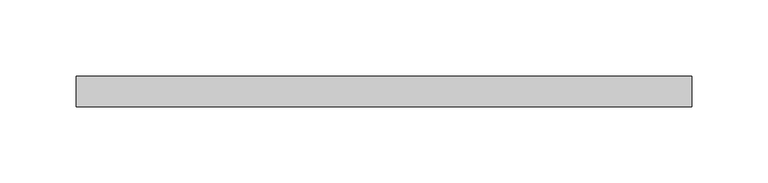
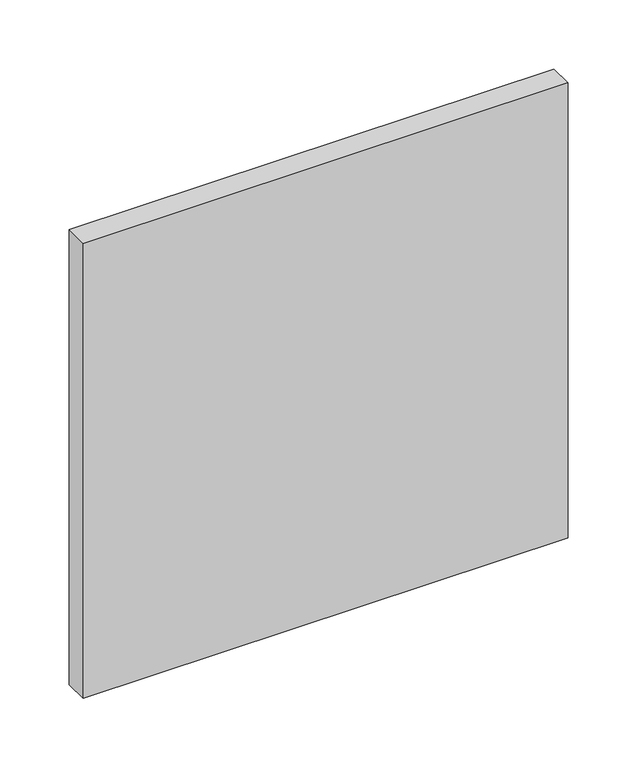
"""IFC4 building model written with IfcOpenShell, lengths in millimetres: plate geometry."""

import ifcopenshell
import ifcopenshell.guid

model = None  # the IFC model being written
_history = None  # IfcOwnerHistory: only IFC2X3 demands one
_inside = {}  # id of a spatial element -> (the spatial element, [elements in it])
_under = {}  # id of a project, library or spatial element -> (it, [spatial elements below it])
_declared = {}  # id of a project -> (the project, [libraries it declares])
_typed = {}  # id of a type object -> (the type object, [elements of that type])
_made_of = {}  # id of a material, layer set ... -> (it, [elements and type objects made of it])


def new_model(schema):
    """Start an empty IFC model of exactly this schema.

    Asked for "IFC4X3", IfcOpenShell would pick the latest addendum, in which some entities
    have other attributes; the version numbers below select the first issue.
    IFC2X3 requires an IfcOwnerHistory on every rooted entity: one is made here for all.
    """
    global model, _history
    if schema == "IFC4X3":
        model = ifcopenshell.file(schema_version=(4, 3, 0, 0))
    else:
        model = ifcopenshell.file(schema=schema)
    _inside.clear()
    _under.clear()
    _declared.clear()
    _typed.clear()
    _made_of.clear()
    _history = None
    if model.schema == "IFC2X3":
        org = make("IfcOrganization", Name="unknown")
        user = make(
            "IfcPersonAndOrganization",
            ThePerson=make("IfcPerson", FamilyName="unknown"),
            TheOrganization=org,
        )
        app = make(
            "IfcApplication",
            ApplicationDeveloper=org,
            Version="unknown",
            ApplicationFullName="unknown",
            ApplicationIdentifier="unknown",
        )
        _history = make(
            "IfcOwnerHistory",
            OwningUser=user,
            OwningApplication=app,
            ChangeAction="ADDED",
            CreationDate=0,
        )
    return model


def make(cls, **values):
    """One entity of the class cls with the attributes given. An attribute that is None is left unset."""
    return model.create_entity(
        cls, **{name: value for name, value in values.items() if value is not None}
    )


def rooted(cls, **values):
    """An entity with a GlobalId (a new one), such as an element, a storey or a relation."""
    return make(cls, GlobalId=ifcopenshell.guid.new(), OwnerHistory=_history, **values)


def si_unit(unit_type, name, prefix=None):
    """IfcSIUnit, for example si_unit("LENGTHUNIT", "METRE", prefix="MILLI")."""
    return make("IfcSIUnit", UnitType=unit_type, Prefix=prefix, Name=name)


def assignment(units):
    """IfcUnitAssignment: the units of a project."""
    return None if units is None else make("IfcUnitAssignment", Units=units)


def point(xyz):
    """IfcCartesianPoint."""
    return None if xyz is None else make("IfcCartesianPoint", Coordinates=xyz)


def direction(xyz):
    """IfcDirection."""
    return None if xyz is None else make("IfcDirection", DirectionRatios=xyz)


def frame(location, z_axis=None, x_axis=None):
    """IfcAxis2Placement3D, a coordinate frame: its origin and axes. An axis left out is left unset."""
    return make(
        "IfcAxis2Placement3D",
        Location=point(location),
        Axis=direction(z_axis),
        RefDirection=direction(x_axis),
    )


def origin():
    """The frame at (0, 0, 0) with its axes left unset."""
    return frame((0.0, 0.0, 0.0))


def origin_with_axes():
    """The frame at (0, 0, 0) with the z axis (0, 0, 1) and the x axis (1, 0, 0) written out."""
    return frame((0.0, 0.0, 0.0), z_axis=(0.0, 0.0, 1.0), x_axis=(1.0, 0.0, 0.0))


def place(relative_to, where):
    """IfcLocalPlacement: puts the frame where relative to a parent placement (None: the world)."""
    return make(
        "IfcLocalPlacement", PlacementRelTo=relative_to, RelativePlacement=where
    )


def context(
    kind, dimensions, precision=None, world=None, true_north=None, identifier=None
):
    """IfcGeometricRepresentationContext, for example the 3D "Model" context."""
    return make(
        "IfcGeometricRepresentationContext",
        ContextIdentifier=identifier,
        ContextType=kind,
        CoordinateSpaceDimension=dimensions,
        Precision=precision,
        WorldCoordinateSystem=world,
        TrueNorth=true_north,
    )


def project(units=None, contexts=None):
    """IfcProject with its units and contexts."""
    return rooted(
        "IfcProject",
        Name="project",
        RepresentationContexts=contexts,
        UnitsInContext=assignment(units),
    )


def spatial(cls, under=None, at=None, **own):
    """A site, building, storey or space (cls), placed at a placement, below another one or the project."""
    s = rooted(cls, ObjectPlacement=at, **own)
    if under is not None:
        _under.setdefault(under.id(), (under, []))[1].append(s)
    return s


def polyline(points):
    """IfcPolyline through the points."""
    return make("IfcPolyline", Points=[point(p) for p in points])


def outline(outer, holes=None, kind="AREA"):
    """IfcArbitraryClosedProfileDef: a profile drawn as a closed curve; with holes, ...WithVoids."""
    if holes is None:
        return make("IfcArbitraryClosedProfileDef", ProfileType=kind, OuterCurve=outer)
    return make(
        "IfcArbitraryProfileDefWithVoids",
        ProfileType=kind,
        OuterCurve=outer,
        InnerCurves=holes,
    )


def extrude(swept, where, along, depth):
    """IfcExtrudedAreaSolid: the profile swept, set in the frame where, extruded along a direction by depth."""
    return make(
        "IfcExtrudedAreaSolid",
        SweptArea=swept,
        Position=where,
        ExtrudedDirection=direction(along),
        Depth=depth,
    )


def shape(context_of_items, identifier, shape_type, items):
    """IfcShapeRepresentation: the items that make up one representation, for example the "Body"."""
    return make(
        "IfcShapeRepresentation",
        ContextOfItems=context_of_items,
        RepresentationIdentifier=identifier,
        RepresentationType=shape_type,
        Items=items,
    )


def source(mapping_origin, context_of_items, identifier, shape_type, items):
    """IfcRepresentationMap: a shape defined once, which mapped items show again and again."""
    return make(
        "IfcRepresentationMap",
        MappingOrigin=mapping_origin,
        MappedRepresentation=shape(context_of_items, identifier, shape_type, items),
    )


def transform(
    local_origin,
    x_axis=None,
    y_axis=None,
    z_axis=None,
    scale=None,
    scale2=None,
    scale3=None,
    uniform=True,
):
    """IfcCartesianTransformationOperator3D, or its non-uniform kind. x_axis, y_axis, z_axis: its Axis1, 2, 3."""
    if uniform:
        return make(
            "IfcCartesianTransformationOperator3D",
            Axis1=direction(x_axis),
            Axis2=direction(y_axis),
            LocalOrigin=point(local_origin),
            Scale=scale,
            Axis3=direction(z_axis),
        )
    return make(
        "IfcCartesianTransformationOperator3DnonUniform",
        Axis1=direction(x_axis),
        Axis2=direction(y_axis),
        LocalOrigin=point(local_origin),
        Scale=scale,
        Axis3=direction(z_axis),
        Scale2=scale2,
        Scale3=scale3,
    )


def mapped(mapping_source, mapping_target):
    """IfcMappedItem: shows the shape of a source again, moved by a transform."""
    return make(
        "IfcMappedItem", MappingSource=mapping_source, MappingTarget=mapping_target
    )


def made_of(thing, what):
    """Note that an element or type object is made of a material, layer set ...; save() writes the relation."""
    if what is not None:
        _made_of.setdefault(what.id(), (what, []))[1].append(thing)
    return thing


def element(
    cls,
    number,
    at=None,
    inside=None,
    cuts=None,
    type_object=None,
    material=None,
    context=None,
    identifier="Body",
    shape_type=None,
    held_by="IfcProductDefinitionShape",
    body=None,
    shapes=None,
    **own,
):
    """One element of the class cls, such as IfcWall. Its Tag is "e" and its number.

    at: its placement. inside: the storey or other place that contains it. cuts: it is an
    opening in that element (IfcRelVoidsElement). A single representation is given by context,
    identifier, shape_type and body (its items); several are given by shapes. held_by: the class
    of the entity that holds the representations. save() writes the other relations.
    """
    e = rooted(cls, Tag="e%d" % number, ObjectPlacement=at, **own)
    if body is not None:
        shapes = [shape(context, identifier, shape_type, body)]
    if shapes is not None:
        e.Representation = make(held_by, Representations=shapes)
    if inside is not None:
        _inside.setdefault(inside.id(), (inside, []))[1].append(e)
    if cuts is not None:
        rooted(
            "IfcRelVoidsElement", RelatingBuildingElement=cuts, RelatedOpeningElement=e
        )
    if type_object is not None:
        _typed.setdefault(type_object.id(), (type_object, []))[1].append(e)
    return made_of(e, material)


def aggregate(whole, parts):
    """IfcRelAggregates: a whole, such as a stair, and the parts it consists of."""
    return rooted("IfcRelAggregates", RelatingObject=whole, RelatedObjects=parts)


def save(model, path):
    """Write the relations noted so far, then the file.

    IfcRelAggregates (storeys below a building ...), IfcRelContainedInSpatialStructure (elements
    in a storey), IfcRelDefinesByType, IfcRelAssociatesMaterial and IfcRelDeclares: one each for
    every whole, place, type object, material and project.
    """
    for whole, parts in _under.values():
        aggregate(whole, parts)
    for where, things in _inside.values():
        rooted(
            "IfcRelContainedInSpatialStructure",
            RelatedElements=things,
            RelatingStructure=where,
        )
    for kind, things in _typed.values():
        rooted("IfcRelDefinesByType", RelatedObjects=things, RelatingType=kind)
    for what, things in _made_of.values():
        rooted("IfcRelAssociatesMaterial", RelatedObjects=things, RelatingMaterial=what)
    for by, libraries in _declared.values():
        rooted("IfcRelDeclares", RelatingContext=by, RelatedDefinitions=libraries)
    model.write(path)


def plate_094ce370(model_context):
    return source(origin(), model_context, "Body", "SweptSolid", [
        extrude(outline(polyline([(202.3913043, 70.0), (-202.3913043, 70.0), (-202.3913043, 90.0), (202.3913043, 90.0), (202.3913043, 70.0)])), origin_with_axes(), (0.0, 0.0, 1.0), 401.6624409),
    ])


if __name__ == "__main__":
    model = new_model("IFC4")
    model_context = context("Model", 3, world=origin())
    ifc_project = project(units=[si_unit("LENGTHUNIT", "METRE", prefix="MILLI")], contexts=[model_context])
    site = spatial("IfcSite", under=ifc_project)
    building = spatial("IfcBuilding", under=site)
    placement = place(None, origin())
    plate_shape = plate_094ce370(model_context)
    element("IfcPlate", 1, at=placement, inside=building, context=model_context, shape_type="MappedRepresentation", body=[
        mapped(plate_shape, transform((0.0, 0.0, 0.0), x_axis=(1.0, 0.0, 0.0), y_axis=(0.0, 1.0, 0.0), z_axis=(0.0, 0.0, 1.0))),
    ])
    save(model, "model.ifc")
